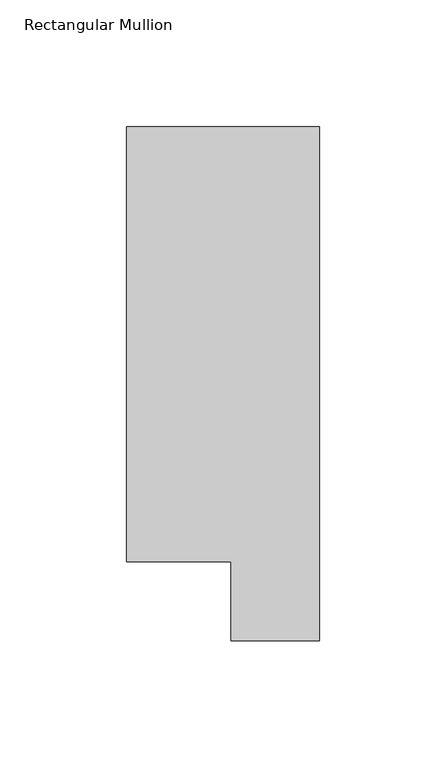
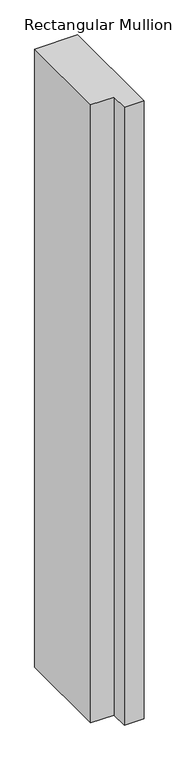
"""IFC4 building model written with IfcOpenShell, lengths in millimetres: member geometry, Rectangular Mullion."""

import ifcopenshell
import ifcopenshell.guid

model = None  # the IFC model being written
_history = None  # IfcOwnerHistory: only IFC2X3 demands one
_inside = {}  # id of a spatial element -> (the spatial element, [elements in it])
_under = {}  # id of a project, library or spatial element -> (it, [spatial elements below it])
_declared = {}  # id of a project -> (the project, [libraries it declares])
_typed = {}  # id of a type object -> (the type object, [elements of that type])
_made_of = {}  # id of a material, layer set ... -> (it, [elements and type objects made of it])


def new_model(schema):
    """Start an empty IFC model of exactly this schema.

    Asked for "IFC4X3", IfcOpenShell would pick the latest addendum, in which some entities
    have other attributes; the version numbers below select the first issue.
    IFC2X3 requires an IfcOwnerHistory on every rooted entity: one is made here for all.
    """
    global model, _history
    if schema == "IFC4X3":
        model = ifcopenshell.file(schema_version=(4, 3, 0, 0))
    else:
        model = ifcopenshell.file(schema=schema)
    _inside.clear()
    _under.clear()
    _declared.clear()
    _typed.clear()
    _made_of.clear()
    _history = None
    if model.schema == "IFC2X3":
        org = make("IfcOrganization", Name="unknown")
        user = make(
            "IfcPersonAndOrganization",
            ThePerson=make("IfcPerson", FamilyName="unknown"),
            TheOrganization=org,
        )
        app = make(
            "IfcApplication",
            ApplicationDeveloper=org,
            Version="unknown",
            ApplicationFullName="unknown",
            ApplicationIdentifier="unknown",
        )
        _history = make(
            "IfcOwnerHistory",
            OwningUser=user,
            OwningApplication=app,
            ChangeAction="ADDED",
            CreationDate=0,
        )
    return model


def make(cls, **values):
    """One entity of the class cls with the attributes given. An attribute that is None is left unset."""
    return model.create_entity(
        cls, **{name: value for name, value in values.items() if value is not None}
    )


def rooted(cls, **values):
    """An entity with a GlobalId (a new one), such as an element, a storey or a relation."""
    return make(cls, GlobalId=ifcopenshell.guid.new(), OwnerHistory=_history, **values)


def si_unit(unit_type, name, prefix=None):
    """IfcSIUnit, for example si_unit("LENGTHUNIT", "METRE", prefix="MILLI")."""
    return make("IfcSIUnit", UnitType=unit_type, Prefix=prefix, Name=name)


def assignment(units):
    """IfcUnitAssignment: the units of a project."""
    return None if units is None else make("IfcUnitAssignment", Units=units)


def point(xyz):
    """IfcCartesianPoint."""
    return None if xyz is None else make("IfcCartesianPoint", Coordinates=xyz)


def direction(xyz):
    """IfcDirection."""
    return None if xyz is None else make("IfcDirection", DirectionRatios=xyz)


def frame(location, z_axis=None, x_axis=None):
    """IfcAxis2Placement3D, a coordinate frame: its origin and axes. An axis left out is left unset."""
    return make(
        "IfcAxis2Placement3D",
        Location=point(location),
        Axis=direction(z_axis),
        RefDirection=direction(x_axis),
    )


def origin():
    """The frame at (0, 0, 0) with its axes left unset."""
    return frame((0.0, 0.0, 0.0))


def place(relative_to, where):
    """IfcLocalPlacement: puts the frame where relative to a parent placement (None: the world)."""
    return make(
        "IfcLocalPlacement", PlacementRelTo=relative_to, RelativePlacement=where
    )


def context(
    kind, dimensions, precision=None, world=None, true_north=None, identifier=None
):
    """IfcGeometricRepresentationContext, for example the 3D "Model" context."""
    return make(
        "IfcGeometricRepresentationContext",
        ContextIdentifier=identifier,
        ContextType=kind,
        CoordinateSpaceDimension=dimensions,
        Precision=precision,
        WorldCoordinateSystem=world,
        TrueNorth=true_north,
    )


def project(units=None, contexts=None):
    """IfcProject with its units and contexts."""
    return rooted(
        "IfcProject",
        Name="project",
        RepresentationContexts=contexts,
        UnitsInContext=assignment(units),
    )


def spatial(cls, under=None, at=None, **own):
    """A site, building, storey or space (cls), placed at a placement, below another one or the project."""
    s = rooted(cls, ObjectPlacement=at, **own)
    if under is not None:
        _under.setdefault(under.id(), (under, []))[1].append(s)
    return s


def polyline(points):
    """IfcPolyline through the points."""
    return make("IfcPolyline", Points=[point(p) for p in points])


def outline(outer, holes=None, kind="AREA"):
    """IfcArbitraryClosedProfileDef: a profile drawn as a closed curve; with holes, ...WithVoids."""
    if holes is None:
        return make("IfcArbitraryClosedProfileDef", ProfileType=kind, OuterCurve=outer)
    return make(
        "IfcArbitraryProfileDefWithVoids",
        ProfileType=kind,
        OuterCurve=outer,
        InnerCurves=holes,
    )


def extrude(swept, where, along, depth):
    """IfcExtrudedAreaSolid: the profile swept, set in the frame where, extruded along a direction by depth."""
    return make(
        "IfcExtrudedAreaSolid",
        SweptArea=swept,
        Position=where,
        ExtrudedDirection=direction(along),
        Depth=depth,
    )


def shape(context_of_items, identifier, shape_type, items):
    """IfcShapeRepresentation: the items that make up one representation, for example the "Body"."""
    return make(
        "IfcShapeRepresentation",
        ContextOfItems=context_of_items,
        RepresentationIdentifier=identifier,
        RepresentationType=shape_type,
        Items=items,
    )


def source(mapping_origin, context_of_items, identifier, shape_type, items):
    """IfcRepresentationMap: a shape defined once, which mapped items show again and again."""
    return make(
        "IfcRepresentationMap",
        MappingOrigin=mapping_origin,
        MappedRepresentation=shape(context_of_items, identifier, shape_type, items),
    )


def transform(
    local_origin,
    x_axis=None,
    y_axis=None,
    z_axis=None,
    scale=None,
    scale2=None,
    scale3=None,
    uniform=True,
):
    """IfcCartesianTransformationOperator3D, or its non-uniform kind. x_axis, y_axis, z_axis: its Axis1, 2, 3."""
    if uniform:
        return make(
            "IfcCartesianTransformationOperator3D",
            Axis1=direction(x_axis),
            Axis2=direction(y_axis),
            LocalOrigin=point(local_origin),
            Scale=scale,
            Axis3=direction(z_axis),
        )
    return make(
        "IfcCartesianTransformationOperator3DnonUniform",
        Axis1=direction(x_axis),
        Axis2=direction(y_axis),
        LocalOrigin=point(local_origin),
        Scale=scale,
        Axis3=direction(z_axis),
        Scale2=scale2,
        Scale3=scale3,
    )


def mapped(mapping_source, mapping_target):
    """IfcMappedItem: shows the shape of a source again, moved by a transform."""
    return make(
        "IfcMappedItem", MappingSource=mapping_source, MappingTarget=mapping_target
    )


def made_of(thing, what):
    """Note that an element or type object is made of a material, layer set ...; save() writes the relation."""
    if what is not None:
        _made_of.setdefault(what.id(), (what, []))[1].append(thing)
    return thing


def element(
    cls,
    number,
    at=None,
    inside=None,
    cuts=None,
    type_object=None,
    material=None,
    context=None,
    identifier="Body",
    shape_type=None,
    held_by="IfcProductDefinitionShape",
    body=None,
    shapes=None,
    **own,
):
    """One element of the class cls, such as IfcWall. Its Tag is "e" and its number.

    at: its placement. inside: the storey or other place that contains it. cuts: it is an
    opening in that element (IfcRelVoidsElement). A single representation is given by context,
    identifier, shape_type and body (its items); several are given by shapes. held_by: the class
    of the entity that holds the representations. save() writes the other relations.
    """
    e = rooted(cls, Tag="e%d" % number, ObjectPlacement=at, **own)
    if body is not None:
        shapes = [shape(context, identifier, shape_type, body)]
    if shapes is not None:
        e.Representation = make(held_by, Representations=shapes)
    if inside is not None:
        _inside.setdefault(inside.id(), (inside, []))[1].append(e)
    if cuts is not None:
        rooted(
            "IfcRelVoidsElement", RelatingBuildingElement=cuts, RelatedOpeningElement=e
        )
    if type_object is not None:
        _typed.setdefault(type_object.id(), (type_object, []))[1].append(e)
    return made_of(e, material)


def aggregate(whole, parts):
    """IfcRelAggregates: a whole, such as a stair, and the parts it consists of."""
    return rooted("IfcRelAggregates", RelatingObject=whole, RelatedObjects=parts)


def save(model, path):
    """Write the relations noted so far, then the file.

    IfcRelAggregates (storeys below a building ...), IfcRelContainedInSpatialStructure (elements
    in a storey), IfcRelDefinesByType, IfcRelAssociatesMaterial and IfcRelDeclares: one each for
    every whole, place, type object, material and project.
    """
    for whole, parts in _under.values():
        aggregate(whole, parts)
    for where, things in _inside.values():
        rooted(
            "IfcRelContainedInSpatialStructure",
            RelatedElements=things,
            RelatingStructure=where,
        )
    for kind, things in _typed.values():
        rooted("IfcRelDefinesByType", RelatedObjects=things, RelatingType=kind)
    for what, things in _made_of.values():
        rooted("IfcRelAssociatesMaterial", RelatedObjects=things, RelatingMaterial=what)
    for by, libraries in _declared.values():
        rooted("IfcRelDeclares", RelatingContext=by, RelatedDefinitions=libraries)
    model.write(path)


def rectangular_mullion_f5ce6b18(model_context):
    return source(origin(), model_context, "Body", "SweptSolid", [
        extrude(outline(polyline([(0.0, 222.5381312), (0.0, 19.5667313), (-34.9123, 19.5667313), (-34.9123, 50.820278), (-76.2, 50.820278), (-76.2, 222.5381312), (0.0, 222.5381312)])), frame((0.0, 0.0, -1155.6995596), z_axis=(0.0, 0.0, 1.0), x_axis=(1.0, 0.0, 0.0)), (0.0, 0.0, 1.0), 1155.6995596),
    ])


if __name__ == "__main__":
    model = new_model("IFC4")
    model_context = context("Model", 3, world=origin())
    ifc_project = project(units=[si_unit("LENGTHUNIT", "METRE", prefix="MILLI")], contexts=[model_context])
    site = spatial("IfcSite", under=ifc_project)
    building = spatial("IfcBuilding", under=site)
    placement = place(None, origin())
    rectangular_mullion_shape = rectangular_mullion_f5ce6b18(model_context)
    element("IfcMember", 1, ObjectType="Rectangular Mullion", at=placement, inside=building, context=model_context, shape_type="MappedRepresentation", body=[
        mapped(rectangular_mullion_shape, transform((0.0, 0.0, 0.0), x_axis=(1.0, 0.0, 0.0), y_axis=(0.0, 1.0, 0.0), z_axis=(0.0, 0.0, 1.0))),
    ])
    save(model, "model.ifc")
